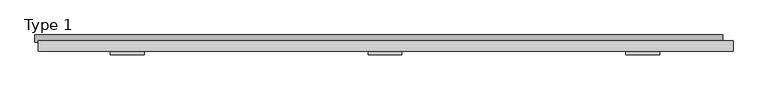
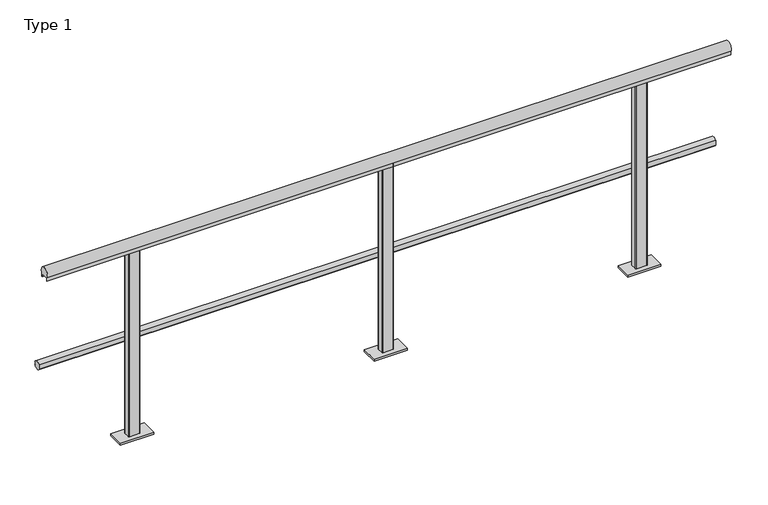
"""IFC4 building model written with IfcOpenShell, lengths in millimetres: railing geometry, Type 1."""

from ifc_helpers import new_model, si_unit, point, frame, frame_2d, origin, place, context, project, spatial, polyline, circle_curve, trimmed, segment, composite_curve, outline, extrude, source, transform, mapped, element, save
from ifc_brep_helpers import plane_surface, cylinder_surface, advanced_brep


def type_1_e2ef6439(model_context):
    return source(origin(), model_context, "Body", "SolidModel", [
        extrude(outline(composite_curve([segment(trimmed(circle_curve(frame_2d((-5.287505, 488.0)), 20.0), [point((13.3, 480.617273))], [point((-21.0, 475.6259343))], False, "CARTESIAN"), True, "CONTINUOUS"), segment(polyline([(-21.0, 475.6259343), (-21.0, 500.3740657)]), True, "CONTINUOUS"), segment(trimmed(circle_curve(frame_2d((-5.287505, 488.0)), 20.0), [point((-21.0, 500.3740657))], [point((13.3, 495.382727))], False, "CARTESIAN"), True, "CONTINUOUS"), segment(polyline([(13.3, 495.382727), (9.3, 495.382727), (9.3, 480.617273), (13.3, 480.617273)]), True, "CONTINUOUS")], self_intersect=False)), frame((-410.0, 0.0, 0.0), z_axis=(1.0, 0.0, 0.0), x_axis=(0.0, 1.0, 0.0)), (0.0, 0.0, 1.0), 3260.0),
        extrude(outline(composite_curve([segment(trimmed(circle_curve(frame_2d((-40.0, 975.0)), 25.0), [point((-61.0, 961.43534))], [point((-19.0, 961.43534))], False, "CARTESIAN"), True, "CONTINUOUS"), segment(polyline([(-19.0, 961.43534), (-19.0, 943.0), (-20.0, 943.0), (-20.0, 958.0), (-60.0, 958.0), (-60.0, 943.0), (-61.0, 943.0), (-61.0, 961.43534)]), True, "CONTINUOUS")], self_intersect=False)), frame((-395.0, 0.0, 0.0), z_axis=(1.0, 0.0, 0.0), x_axis=(0.0, 1.0, 0.0)), (0.0, 0.0, 1.0), 3295.0),
        advanced_brep(
        [(1227.0, -59.0, 958.0), (1273.0, -59.0, 958.0), (1278.0, -54.0, 958.0), (1278.0, -26.0, 958.0), (1273.0, -21.0, 958.0), (1227.0, -21.0, 958.0), (1222.0, -26.0, 958.0), (1222.0, -54.0, 958.0), (1170.0, -80.0, 0.0), (1170.0, 0.0, 0.0), (1330.0, 0.0, 0.0), (1330.0, -80.0, 0.0), (1227.0, -59.0, 11.0), (1273.0, -59.0, 11.0), (1278.0, -54.0, 11.0), (1278.0, -26.0, 11.0), (1273.0, -21.0, 11.0), (1227.0, -21.0, 11.0), (1222.0, -26.0, 11.0), (1222.0, -54.0, 11.0), (1170.0, -80.0, 11.0), (1330.0, -80.0, 11.0), (1330.0, 0.0, 11.0), (1170.0, 0.0, 11.0)],
        [
            (0, 1),
            (1, 2, circle_curve(frame((1273.0, -54.0, 958.0), z_axis=(0.0, 0.0, 1.0), x_axis=(-1.0, 0.0, 0.0)), 5.0)),
            (2, 3),
            (3, 4, circle_curve(frame((1273.0, -26.0, 958.0), z_axis=(0.0, 0.0, 1.0), x_axis=(-1.0, 0.0, 0.0)), 5.0)),
            (4, 5),
            (5, 6, circle_curve(frame((1227.0, -26.0, 958.0), z_axis=(0.0, 0.0, 1.0), x_axis=(-1.0, 0.0, 0.0)), 5.0)),
            (6, 7),
            (7, 0, circle_curve(frame((1227.0, -54.0, 958.0), z_axis=(0.0, 0.0, 1.0), x_axis=(-1.0, 0.0, 0.0)), 5.0)),
            (8, 9),
            (9, 10),
            (10, 11),
            (11, 8),
            (0, 12),
            (12, 13),
            (13, 1),
            (13, 14, circle_curve(frame((1273.0, -54.0, 11.0), z_axis=(0.0, 0.0, 1.0), x_axis=(-1.0, 0.0, 0.0)), 5.0)),
            (14, 2),
            (14, 15),
            (15, 3),
            (15, 16, circle_curve(frame((1273.0, -26.0, 11.0), z_axis=(0.0, 0.0, 1.0), x_axis=(-1.0, 0.0, 0.0)), 5.0)),
            (16, 4),
            (16, 17),
            (17, 5),
            (17, 18, circle_curve(frame((1227.0, -26.0, 11.0), z_axis=(0.0, 0.0, 1.0), x_axis=(-1.0, 0.0, 0.0)), 5.0)),
            (18, 6),
            (18, 19),
            (19, 7),
            (19, 12, circle_curve(frame((1227.0, -54.0, 11.0), z_axis=(0.0, 0.0, 1.0), x_axis=(-1.0, 0.0, 0.0)), 5.0)),
            (20, 21),
            (21, 22),
            (22, 23),
            (23, 20),
            (20, 8),
            (11, 21),
            (10, 22),
            (9, 23),
        ],
        [
            plane_surface(frame((1273.0, -59.0, 958.0), z_axis=(0.0, 0.0, 1.0), x_axis=(1.0, 0.0, 0.0))),
            plane_surface(frame((1273.0, -59.0, 0.0), z_axis=(0.0, 0.0, -1.0), x_axis=(-1.0, 0.0, 0.0))),
            plane_surface(frame((1227.0, -59.0, 958.0), z_axis=(0.0, -1.0, 0.0), x_axis=(0.0, 0.0, -1.0))),
            cylinder_surface(frame((1273.0, -54.0, 0.0), z_axis=(0.0, 0.0, 1.0), x_axis=(-1.0, 0.0, 0.0)), 5.0),
            plane_surface(frame((1278.0, -54.0, 958.0), z_axis=(1.0, 0.0, 0.0), x_axis=(0.0, 0.0, -1.0))),
            cylinder_surface(frame((1273.0, -26.0, 0.0), z_axis=(0.0, 0.0, 1.0), x_axis=(-1.0, 0.0, 0.0)), 5.0),
            plane_surface(frame((1273.0, -21.0, 958.0), z_axis=(0.0, 1.0, 0.0), x_axis=(0.0, 0.0, -1.0))),
            cylinder_surface(frame((1227.0, -26.0, 0.0), z_axis=(0.0, 0.0, 1.0), x_axis=(-1.0, 0.0, 0.0)), 5.0),
            plane_surface(frame((1222.0, -26.0, 958.0), z_axis=(-1.0, 0.0, 0.0), x_axis=(0.0, 0.0, -1.0))),
            cylinder_surface(frame((1227.0, -54.0, 0.0), z_axis=(0.0, 0.0, 1.0), x_axis=(-1.0, 0.0, 0.0)), 5.0),
            plane_surface(frame((1330.0, -80.0, 11.0), z_axis=(0.0, 0.0, 1.0), x_axis=(1.0, 0.0, 0.0))),
            plane_surface(frame((1170.0, -80.0, 11.0), z_axis=(0.0, -1.0, 0.0), x_axis=(0.0, 0.0, -1.0))),
            plane_surface(frame((1330.0, -80.0, 11.0), z_axis=(1.0, 0.0, 0.0), x_axis=(0.0, 0.0, -1.0))),
            plane_surface(frame((1330.0, 0.0, 11.0), z_axis=(0.0, 1.0, 0.0), x_axis=(0.0, 0.0, -1.0))),
            plane_surface(frame((1170.0, 0.0, 11.0), z_axis=(-1.0, 0.0, 0.0), x_axis=(0.0, 0.0, -1.0))),
        ],
        [
            (0, [[1, 2, 3, 4, 5, 6, 7, 8]]),
            (1, [[9, 10, 11, 12]]),
            (2, [[-1, 13, 14, 15]]),
            (3, [[-2, -15, 16, 17]]),
            (4, [[-3, -17, 18, 19]]),
            (5, [[-4, -19, 20, 21]]),
            (6, [[-5, -21, 22, 23]]),
            (7, [[-6, -23, 24, 25]]),
            (8, [[-7, -25, 26, 27]]),
            (9, [[-8, -27, 28, -13]]),
            (10, [[29, 30, 31, 32], [-14, -28, -26, -24, -22, -20, -18, -16]]),
            (11, [[-29, 33, -12, 34]]),
            (12, [[-30, -34, -11, 35]]),
            (13, [[-31, -35, -10, 36]]),
            (14, [[-32, -36, -9, -33]]),
        ],
    ),
        advanced_brep(
        [(2449.0, -59.0, 958.0), (2495.0, -59.0, 958.0), (2500.0, -54.0, 958.0), (2500.0, -26.0, 958.0), (2495.0, -21.0, 958.0), (2449.0, -21.0, 958.0), (2444.0, -26.0, 958.0), (2444.0, -54.0, 958.0), (2392.0, -80.0, 0.0), (2392.0, 0.0, 0.0), (2552.0, 0.0, 0.0), (2552.0, -80.0, 0.0), (2449.0, -59.0, 11.0), (2495.0, -59.0, 11.0), (2500.0, -54.0, 11.0), (2500.0, -26.0, 11.0), (2495.0, -21.0, 11.0), (2449.0, -21.0, 11.0), (2444.0, -26.0, 11.0), (2444.0, -54.0, 11.0), (2392.0, -80.0, 11.0), (2552.0, -80.0, 11.0), (2552.0, 0.0, 11.0), (2392.0, 0.0, 11.0)],
        [
            (0, 1),
            (1, 2, circle_curve(frame((2495.0, -54.0, 958.0), z_axis=(0.0, 0.0, 1.0), x_axis=(-1.0, 0.0, 0.0)), 5.0)),
            (2, 3),
            (3, 4, circle_curve(frame((2495.0, -26.0, 958.0), z_axis=(0.0, 0.0, 1.0), x_axis=(-1.0, 0.0, 0.0)), 5.0)),
            (4, 5),
            (5, 6, circle_curve(frame((2449.0, -26.0, 958.0), z_axis=(0.0, 0.0, 1.0), x_axis=(-1.0, 0.0, 0.0)), 5.0)),
            (6, 7),
            (7, 0, circle_curve(frame((2449.0, -54.0, 958.0), z_axis=(0.0, 0.0, 1.0), x_axis=(-1.0, 0.0, 0.0)), 5.0)),
            (8, 9),
            (9, 10),
            (10, 11),
            (11, 8),
            (0, 12),
            (12, 13),
            (13, 1),
            (13, 14, circle_curve(frame((2495.0, -54.0, 11.0), z_axis=(0.0, 0.0, 1.0), x_axis=(-1.0, 0.0, 0.0)), 5.0)),
            (14, 2),
            (14, 15),
            (15, 3),
            (15, 16, circle_curve(frame((2495.0, -26.0, 11.0), z_axis=(0.0, 0.0, 1.0), x_axis=(-1.0, 0.0, 0.0)), 5.0)),
            (16, 4),
            (16, 17),
            (17, 5),
            (17, 18, circle_curve(frame((2449.0, -26.0, 11.0), z_axis=(0.0, 0.0, 1.0), x_axis=(-1.0, 0.0, 0.0)), 5.0)),
            (18, 6),
            (18, 19),
            (19, 7),
            (19, 12, circle_curve(frame((2449.0, -54.0, 11.0), z_axis=(0.0, 0.0, 1.0), x_axis=(-1.0, 0.0, 0.0)), 5.0)),
            (20, 21),
            (21, 22),
            (22, 23),
            (23, 20),
            (20, 8),
            (11, 21),
            (10, 22),
            (9, 23),
        ],
        [
            plane_surface(frame((2495.0, -59.0, 958.0), z_axis=(0.0, 0.0, 1.0), x_axis=(1.0, 0.0, 0.0))),
            plane_surface(frame((2495.0, -59.0, 0.0), z_axis=(0.0, 0.0, -1.0), x_axis=(-1.0, 0.0, 0.0))),
            plane_surface(frame((2449.0, -59.0, 958.0), z_axis=(0.0, -1.0, 0.0), x_axis=(0.0, 0.0, -1.0))),
            cylinder_surface(frame((2495.0, -54.0, 0.0), z_axis=(0.0, 0.0, 1.0), x_axis=(-1.0, 0.0, 0.0)), 5.0),
            plane_surface(frame((2500.0, -54.0, 958.0), z_axis=(1.0, 0.0, 0.0), x_axis=(0.0, 0.0, -1.0))),
            cylinder_surface(frame((2495.0, -26.0, 0.0), z_axis=(0.0, 0.0, 1.0), x_axis=(-1.0, 0.0, 0.0)), 5.0),
            plane_surface(frame((2495.0, -21.0, 958.0), z_axis=(0.0, 1.0, 0.0), x_axis=(0.0, 0.0, -1.0))),
            cylinder_surface(frame((2449.0, -26.0, 0.0), z_axis=(0.0, 0.0, 1.0), x_axis=(-1.0, 0.0, 0.0)), 5.0),
            plane_surface(frame((2444.0, -26.0, 958.0), z_axis=(-1.0, 0.0, 0.0), x_axis=(0.0, 0.0, -1.0))),
            cylinder_surface(frame((2449.0, -54.0, 0.0), z_axis=(0.0, 0.0, 1.0), x_axis=(-1.0, 0.0, 0.0)), 5.0),
            plane_surface(frame((2552.0, -80.0, 11.0), z_axis=(0.0, 0.0, 1.0), x_axis=(1.0, 0.0, 0.0))),
            plane_surface(frame((2392.0, -80.0, 11.0), z_axis=(0.0, -1.0, 0.0), x_axis=(0.0, 0.0, -1.0))),
            plane_surface(frame((2552.0, -80.0, 11.0), z_axis=(1.0, 0.0, 0.0), x_axis=(0.0, 0.0, -1.0))),
            plane_surface(frame((2552.0, 0.0, 11.0), z_axis=(0.0, 1.0, 0.0), x_axis=(0.0, 0.0, -1.0))),
            plane_surface(frame((2392.0, 0.0, 11.0), z_axis=(-1.0, 0.0, 0.0), x_axis=(0.0, 0.0, -1.0))),
        ],
        [
            (0, [[1, 2, 3, 4, 5, 6, 7, 8]]),
            (1, [[9, 10, 11, 12]]),
            (2, [[-1, 13, 14, 15]]),
            (3, [[-2, -15, 16, 17]]),
            (4, [[-3, -17, 18, 19]]),
            (5, [[-4, -19, 20, 21]]),
            (6, [[-5, -21, 22, 23]]),
            (7, [[-6, -23, 24, 25]]),
            (8, [[-7, -25, 26, 27]]),
            (9, [[-8, -27, 28, -13]]),
            (10, [[29, 30, 31, 32], [-14, -28, -26, -24, -22, -20, -18, -16]]),
            (11, [[-29, 33, -12, 34]]),
            (12, [[-30, -34, -11, 35]]),
            (13, [[-31, -35, -10, 36]]),
            (14, [[-32, -36, -9, -33]]),
        ],
    ),
        advanced_brep(
        [(5.0, -59.0, 958.0), (51.0, -59.0, 958.0), (56.0, -54.0, 958.0), (56.0, -26.0, 958.0), (51.0, -21.0, 958.0), (5.0, -21.0, 958.0), (0.0, -26.0, 958.0), (0.0, -54.0, 958.0), (-52.0, -80.0, 0.0), (-52.0, 0.0, 0.0), (108.0, 0.0, 0.0), (108.0, -80.0, 0.0), (5.0, -59.0, 11.0), (51.0, -59.0, 11.0), (56.0, -54.0, 11.0), (56.0, -26.0, 11.0), (51.0, -21.0, 11.0), (5.0, -21.0, 11.0), (0.0, -26.0, 11.0), (0.0, -54.0, 11.0), (-52.0, -80.0, 11.0), (108.0, -80.0, 11.0), (108.0, 0.0, 11.0), (-52.0, 0.0, 11.0)],
        [
            (0, 1),
            (1, 2, circle_curve(frame((51.0, -54.0, 958.0), z_axis=(0.0, 0.0, 1.0), x_axis=(-1.0, 0.0, 0.0)), 5.0)),
            (2, 3),
            (3, 4, circle_curve(frame((51.0, -26.0, 958.0), z_axis=(0.0, 0.0, 1.0), x_axis=(-1.0, 0.0, 0.0)), 5.0)),
            (4, 5),
            (5, 6, circle_curve(frame((5.0, -26.0, 958.0), z_axis=(0.0, 0.0, 1.0), x_axis=(-1.0, 0.0, 0.0)), 5.0)),
            (6, 7),
            (7, 0, circle_curve(frame((5.0, -54.0, 958.0), z_axis=(0.0, 0.0, 1.0), x_axis=(-1.0, 0.0, 0.0)), 5.0)),
            (8, 9),
            (9, 10),
            (10, 11),
            (11, 8),
            (0, 12),
            (12, 13),
            (13, 1),
            (13, 14, circle_curve(frame((51.0, -54.0, 11.0), z_axis=(0.0, 0.0, 1.0), x_axis=(-1.0, 0.0, 0.0)), 5.0)),
            (14, 2),
            (14, 15),
            (15, 3),
            (15, 16, circle_curve(frame((51.0, -26.0, 11.0), z_axis=(0.0, 0.0, 1.0), x_axis=(-1.0, 0.0, 0.0)), 5.0)),
            (16, 4),
            (16, 17),
            (17, 5),
            (17, 18, circle_curve(frame((5.0, -26.0, 11.0), z_axis=(0.0, 0.0, 1.0), x_axis=(-1.0, 0.0, 0.0)), 5.0)),
            (18, 6),
            (18, 19),
            (19, 7),
            (19, 12, circle_curve(frame((5.0, -54.0, 11.0), z_axis=(0.0, 0.0, 1.0), x_axis=(-1.0, 0.0, 0.0)), 5.0)),
            (20, 21),
            (21, 22),
            (22, 23),
            (23, 20),
            (20, 8),
            (11, 21),
            (10, 22),
            (9, 23),
        ],
        [
            plane_surface(frame((51.0, -59.0, 958.0), z_axis=(0.0, 0.0, 1.0), x_axis=(1.0, 0.0, 0.0))),
            plane_surface(frame((51.0, -59.0, 0.0), z_axis=(0.0, 0.0, -1.0), x_axis=(-1.0, 0.0, 0.0))),
            plane_surface(frame((5.0, -59.0, 958.0), z_axis=(0.0, -1.0, 0.0), x_axis=(0.0, 0.0, -1.0))),
            cylinder_surface(frame((51.0, -54.0, 0.0), z_axis=(0.0, 0.0, 1.0), x_axis=(-1.0, 0.0, 0.0)), 5.0),
            plane_surface(frame((56.0, -54.0, 958.0), z_axis=(1.0, 0.0, 0.0), x_axis=(0.0, 0.0, -1.0))),
            cylinder_surface(frame((51.0, -26.0, 0.0), z_axis=(0.0, 0.0, 1.0), x_axis=(-1.0, 0.0, 0.0)), 5.0),
            plane_surface(frame((51.0, -21.0, 958.0), z_axis=(0.0, 1.0, 0.0), x_axis=(0.0, 0.0, -1.0))),
            cylinder_surface(frame((5.0, -26.0, 0.0), z_axis=(0.0, 0.0, 1.0), x_axis=(-1.0, 0.0, 0.0)), 5.0),
            plane_surface(frame((0.0, -26.0, 958.0), z_axis=(-1.0, 0.0, 0.0), x_axis=(0.0, 0.0, -1.0))),
            cylinder_surface(frame((5.0, -54.0, 0.0), z_axis=(0.0, 0.0, 1.0), x_axis=(-1.0, 0.0, 0.0)), 5.0),
            plane_surface(frame((108.0, -80.0, 11.0), z_axis=(0.0, 0.0, 1.0), x_axis=(1.0, 0.0, 0.0))),
            plane_surface(frame((-52.0, -80.0, 11.0), z_axis=(0.0, -1.0, 0.0), x_axis=(0.0, 0.0, -1.0))),
            plane_surface(frame((108.0, -80.0, 11.0), z_axis=(1.0, 0.0, 0.0), x_axis=(0.0, 0.0, -1.0))),
            plane_surface(frame((108.0, 0.0, 11.0), z_axis=(0.0, 1.0, 0.0), x_axis=(0.0, 0.0, -1.0))),
            plane_surface(frame((-52.0, 0.0, 11.0), z_axis=(-1.0, 0.0, 0.0), x_axis=(0.0, 0.0, -1.0))),
        ],
        [
            (0, [[1, 2, 3, 4, 5, 6, 7, 8]]),
            (1, [[9, 10, 11, 12]]),
            (2, [[-1, 13, 14, 15]]),
            (3, [[-2, -15, 16, 17]]),
            (4, [[-3, -17, 18, 19]]),
            (5, [[-4, -19, 20, 21]]),
            (6, [[-5, -21, 22, 23]]),
            (7, [[-6, -23, 24, 25]]),
            (8, [[-7, -25, 26, 27]]),
            (9, [[-8, -27, 28, -13]]),
            (10, [[29, 30, 31, 32], [-14, -28, -26, -24, -22, -20, -18, -16]]),
            (11, [[-29, 33, -12, 34]]),
            (12, [[-30, -34, -11, 35]]),
            (13, [[-31, -35, -10, 36]]),
            (14, [[-32, -36, -9, -33]]),
        ],
    ),
    ])


if __name__ == "__main__":
    model = new_model("IFC4")
    model_context = context("Model", 3, world=origin())
    ifc_project = project(units=[si_unit("LENGTHUNIT", "METRE", prefix="MILLI")], contexts=[model_context])
    site = spatial("IfcSite", under=ifc_project)
    building = spatial("IfcBuilding", under=site)
    placement = place(None, origin())
    type_1_shape = type_1_e2ef6439(model_context)
    element("IfcRailing", 1, ObjectType="Type 1", at=placement, inside=building, context=model_context, shape_type="MappedRepresentation", body=[
        mapped(type_1_shape, transform((0.0, 0.0, 0.0), x_axis=(1.0, 0.0, 0.0), y_axis=(0.0, 1.0, 0.0), z_axis=(0.0, 0.0, 1.0))),
    ])
    save(model, "model.ifc")
